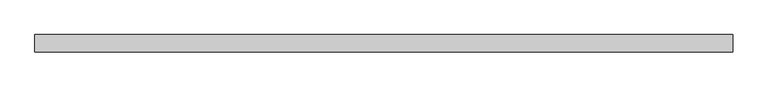
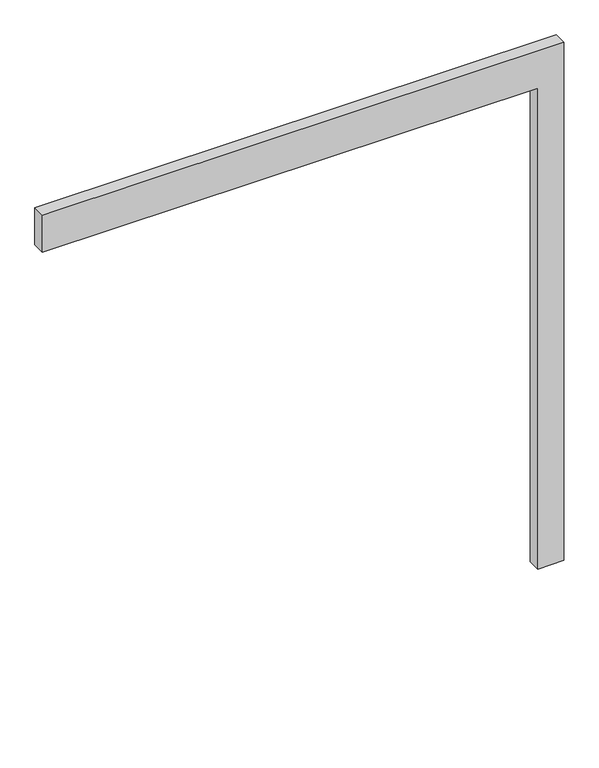
"""IFC4 building model written with IfcOpenShell, lengths in millimetres: proxy geometry."""

from ifc_helpers import new_model, si_unit, frame, origin, place, context, project, spatial, polyline, outline, extrude, source, transform, mapped, element, save


def generic_models_18f088ea(model_context):
    return source(origin(), model_context, "Body", "SweptSolid", [
        extrude(outline(polyline([(1950.0, -1900.0), (1950.0, 0.0), (0.0, 0.0), (0.0, 100.0), (2100.0, 100.0), (2100.0, -1900.0), (1950.0, -1900.0)])), frame((0.0, -50.0, 0.0), z_axis=(0.0, 1.0, 0.0), x_axis=(0.0, 0.0, 1.0)), (0.0, 0.0, 1.0), 50.0),
    ])


if __name__ == "__main__":
    model = new_model("IFC4")
    model_context = context("Model", 3, world=origin())
    ifc_project = project(units=[si_unit("LENGTHUNIT", "METRE", prefix="MILLI")], contexts=[model_context])
    site = spatial("IfcSite", under=ifc_project)
    building = spatial("IfcBuilding", under=site)
    placement = place(None, origin())
    generic_models_shape = generic_models_18f088ea(model_context)
    element("IfcBuildingElementProxy", 1, Name="Generic Models", at=placement, inside=building, context=model_context, shape_type="MappedRepresentation", body=[
        mapped(generic_models_shape, transform((0.0, 0.0, 0.0), x_axis=(1.0, 0.0, 0.0), y_axis=(0.0, 1.0, 0.0), z_axis=(0.0, 0.0, 1.0))),
    ])
    save(model, "model.ifc")
